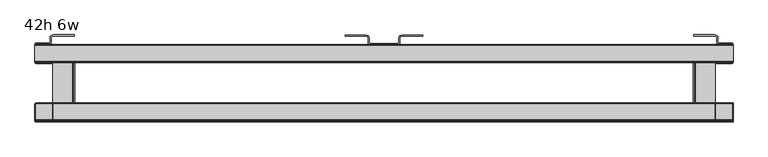
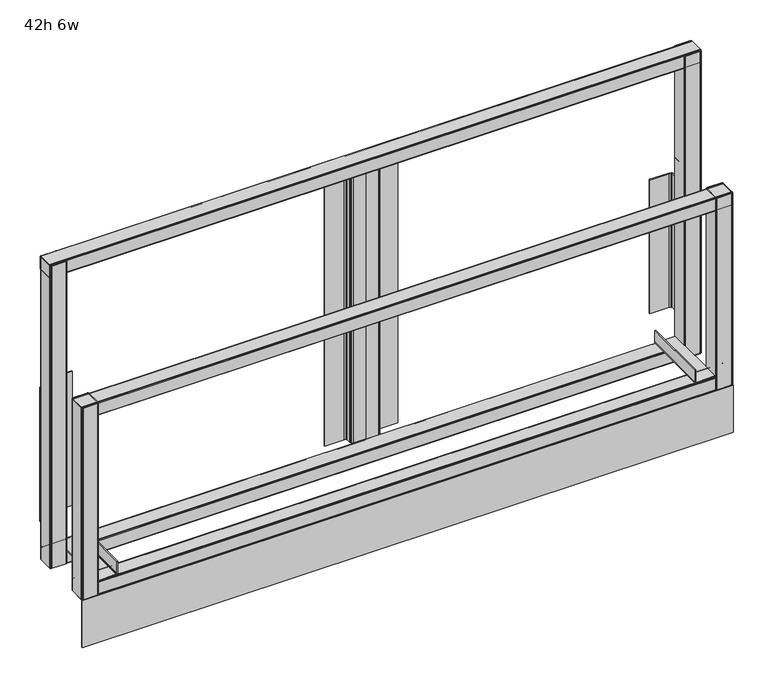
"""IFC4 building model written with IfcOpenShell, lengths in millimetres: furniture geometry, 42h 6w."""

from ifc_helpers import new_model, si_unit, point, frame, frame_2d, origin, origin_with_axes, place, context, project, spatial, polyline, circle_curve, trimmed, segment, composite_curve, outline, extrude, source, transform, mapped, element, save


def furniture_42h_6w_0b45b59a(model_context):
    return source(origin(), model_context, "Body", "SweptSolid", [
        extrude(outline(polyline([(1828.8, -72.6720019), (1828.3727983, -74.2663388), (1827.2106677, -75.4284727), (1825.6231678, -75.8538427), (1784.4114287, -75.8538427), (1782.9629536, -75.160403), (1781.9936768, -73.8532744), (1781.7684817, -72.6788412), (1781.7684817, -27.3581035), (1782.9629536, -25.7472801), (1784.411424, -25.0538403), (1786.5408108, -25.0538403), (1825.6231679, -25.0538403), (1827.2106677, -25.4792096), (1828.3727983, -26.6413403), (1828.8, -28.2356786), (1828.8, -72.6720019)]), holes=[composite_curve([segment(polyline([(1826.8931676, -72.730636), (1826.8931676, -28.1651167)]), True, "CONTINUOUS"), segment(trimmed(circle_curve(frame_2d((1825.6868913, -28.1651167)), 1.2062764), [point((1826.8931676, -28.1651167))], [point((1825.6868913, -26.9588403))], True, "CARTESIAN"), True, "CONTINUOUS"), segment(polyline([(1825.6868913, -26.9588403), (1784.9283089, -26.9588403)]), True, "CONTINUOUS"), segment(trimmed(circle_curve(frame_2d((1784.9283089, -28.2136693)), 1.254829), [point((1784.9283089, -26.9588403))], [point((1783.6734799, -28.2136693))], True, "CARTESIAN"), True, "CONTINUOUS"), segment(polyline([(1783.6734799, -28.2136693), (1783.6734799, -72.8953775)]), True, "CONTINUOUS"), segment(trimmed(circle_curve(frame_2d((1784.7269416, -72.8953775)), 1.0534616), [point((1783.6734799, -72.8953775))], [point((1784.7269416, -73.9488391))], True, "CARTESIAN"), True, "CONTINUOUS"), segment(polyline([(1784.7269416, -73.9488391), (1825.6749644, -73.9488391)]), True, "CONTINUOUS"), segment(trimmed(circle_curve(frame_2d((1825.6749644, -72.730636)), 1.2182032), [point((1825.6749644, -73.9488391))], [point((1826.8931676, -72.730636))], True, "CARTESIAN"), True, "CONTINUOUS")], self_intersect=False)]), frame((0.0, 0.0, 142.2400006), z_axis=(0.0, 0.0, 1.0), x_axis=(1.0, 0.0, 0.0)), (0.0, 0.0, 1.0), 897.9650676),
        extrude(outline(polyline([(0.0, -72.6720025), (0.0, -28.2356792), (0.4272017, -26.6413409), (1.5893323, -25.4792102), (3.1768321, -25.0538409), (42.2591892, -25.0538401), (44.3885759, -25.0538401), (45.8370464, -25.7472799), (47.0315183, -27.3581033), (47.0315183, -72.678841), (46.8063232, -73.8532742), (45.8370464, -75.1604028), (44.3885713, -75.8538425), (3.1768322, -75.8538425), (1.5893323, -75.4284733), (0.4272017, -74.2663394), (0.0, -72.6720025)]), holes=[composite_curve([segment(trimmed(circle_curve(frame_2d((3.1250356, -72.7306366)), 1.2182032), [point((1.9068324, -72.7306366))], [point((3.1250356, -73.9488397))], True, "CARTESIAN"), True, "CONTINUOUS"), segment(polyline([(3.1250356, -73.9488397), (44.0730584, -73.9488397)]), True, "CONTINUOUS"), segment(trimmed(circle_curve(frame_2d((44.0730584, -72.8953781)), 1.0534617), [point((44.0730584, -73.9488397))], [point((45.1265201, -72.8953781))], True, "CARTESIAN"), True, "CONTINUOUS"), segment(polyline([(45.1265201, -72.8953781), (45.1265201, -28.2136691)]), True, "CONTINUOUS"), segment(trimmed(circle_curve(frame_2d((43.8716911, -28.2136691)), 1.2548289), [point((45.1265201, -28.2136691))], [point((43.8716911, -26.9588402))], True, "CARTESIAN"), True, "CONTINUOUS"), segment(polyline([(43.8716911, -26.9588402), (3.1131087, -26.9588408)]), True, "CONTINUOUS"), segment(trimmed(circle_curve(frame_2d((3.1131088, -28.1651172)), 1.2062764), [point((3.1131087, -26.9588408))], [point((1.9068324, -28.1651172))], True, "CARTESIAN"), True, "CONTINUOUS"), segment(polyline([(1.9068324, -28.1651172), (1.9068324, -72.7306366)]), True, "CONTINUOUS")], self_intersect=False)]), frame((0.0, 0.0, 142.2400006), z_axis=(0.0, 0.0, 1.0), x_axis=(1.0, 0.0, 0.0)), (0.0, 0.0, 1.0), 897.9650676),
        extrude(outline(polyline([(880.1208445, -23.01875), (914.4, -23.01875), (914.4, -26.0161562), (879.969944, -26.0161562), (875.8778403, -24.9196801), (873.6539889, -22.6958267), (872.8399988, -19.6579869), (872.8399988, -7.8317466), (872.433006, -6.3128259), (871.3210781, -5.2009002), (866.9916973, -4.0408449), (812.3778418, -4.0408449), (812.3778418, -0.9623159), (866.8398534, -0.9623159), (872.8399988, -2.5700538), (875.0638547, -4.7939074), (875.8778403, -7.8317466), (875.8778403, -19.6579869), (876.2848331, -21.1769068), (877.396761, -22.2888334), (880.1208445, -23.01875)])), frame((0.0, 0.0, 178.4492695), z_axis=(0.0, 0.0, 1.0), x_axis=(1.0, 0.0, 0.0)), (0.0, 0.0, 1.0), 823.9758089),
        extrude(outline(polyline([(948.6791555, -23.01875), (951.403239, -22.2888334), (952.5151669, -21.1769068), (952.9221597, -19.6579869), (952.9221597, -7.8317466), (953.7361453, -4.7939074), (955.9600012, -2.5700538), (961.9601466, -0.9623159), (1016.4221582, -0.9623159), (1016.4221582, -4.0408449), (961.8083027, -4.0408449), (957.4789219, -5.2009002), (956.366994, -6.3128259), (955.9600012, -7.8317466), (955.9600012, -19.6579869), (955.1460111, -22.6958267), (952.9221597, -24.9196801), (948.830056, -26.0161562), (914.4, -26.0161562), (914.4, -23.01875), (948.6791555, -23.01875)])), frame((0.0, 0.0, 176.0315177), z_axis=(0.0, 0.0, 1.0), x_axis=(1.0, 0.0, 0.0)), (0.0, 0.0, 1.0), 826.3935607),
        extrude(outline(polyline([(35.3068785, -22.0564341), (38.030962, -21.3265174), (39.14289, -20.2145909), (39.5498827, -18.695671), (39.5498827, -6.8694307), (40.3638683, -3.8315915), (42.5877242, -1.6077378), (48.5878696, 0.0), (103.0498812, 0.0), (103.0498812, -3.078529), (48.4360257, -3.078529), (44.1066449, -4.2385842), (42.994717, -5.3505099), (42.5877242, -6.8694307), (42.5877242, -18.695671), (41.7737341, -21.7335108), (39.5498827, -23.9573641), (35.457779, -25.0538403), (1.027723, -25.0538403), (1.027723, -22.0564341), (35.3068785, -22.0564341)])), frame((0.0, 0.0, 251.0568051), z_axis=(0.0, 0.0, 1.0), x_axis=(1.0, 0.0, 0.0)), (0.0, 0.0, 1.0), 397.1052306),
        extrude(outline(polyline([(1793.4931215, -22.0564341), (1827.772277, -22.0564341), (1827.772277, -25.0538403), (1793.342221, -25.0538403), (1789.2501173, -23.9573641), (1787.0262659, -21.7335108), (1786.2122758, -18.695671), (1786.2122758, -6.8694307), (1785.805283, -5.3505099), (1784.6933551, -4.2385842), (1780.3639743, -3.078529), (1725.7501188, -3.078529), (1725.7501188, 0.0), (1780.2121304, 0.0), (1786.2122758, -1.6077378), (1788.4361317, -3.8315915), (1789.2501173, -6.8694307), (1789.2501173, -18.695671), (1789.65711, -20.2145909), (1790.769038, -21.3265174), (1793.4931215, -22.0564341)])), frame((0.0, 0.0, 251.0568051), z_axis=(0.0, 0.0, 1.0), x_axis=(1.0, 0.0, 0.0)), (0.0, 0.0, 1.0), 397.1052306),
        extrude(outline(polyline([(1828.8, -72.6720019), (1828.3727983, -74.2663388), (1827.2106677, -75.4284727), (1825.6231678, -75.8538427), (1784.4114287, -75.8538427), (1782.9629536, -75.160403), (1781.9936768, -73.8532744), (1781.7684817, -72.6788412), (1781.7684817, -27.3581035), (1782.9629536, -25.7472801), (1784.411424, -25.0538403), (1786.5408108, -25.0538403), (1825.6231679, -25.0538403), (1827.2106677, -25.4792096), (1828.3727983, -26.6413403), (1828.8, -28.2356786), (1828.8, -72.6720019)]), holes=[composite_curve([segment(polyline([(1826.8931676, -72.730636), (1826.8931676, -28.1651167)]), True, "CONTINUOUS"), segment(trimmed(circle_curve(frame_2d((1825.6868913, -28.1651167)), 1.2062764), [point((1826.8931676, -28.1651167))], [point((1825.6868913, -26.9588403))], True, "CARTESIAN"), True, "CONTINUOUS"), segment(polyline([(1825.6868913, -26.9588403), (1784.9283089, -26.9588403)]), True, "CONTINUOUS"), segment(trimmed(circle_curve(frame_2d((1784.9283089, -28.2136693)), 1.254829), [point((1784.9283089, -26.9588403))], [point((1783.6734799, -28.2136693))], True, "CARTESIAN"), True, "CONTINUOUS"), segment(polyline([(1783.6734799, -28.2136693), (1783.6734799, -72.8953775)]), True, "CONTINUOUS"), segment(trimmed(circle_curve(frame_2d((1784.7269416, -72.8953775)), 1.0534616), [point((1783.6734799, -72.8953775))], [point((1784.7269416, -73.9488391))], True, "CARTESIAN"), True, "CONTINUOUS"), segment(polyline([(1784.7269416, -73.9488391), (1825.6749644, -73.9488391)]), True, "CONTINUOUS"), segment(trimmed(circle_curve(frame_2d((1825.6749644, -72.730636)), 1.2182032), [point((1825.6749644, -73.9488391))], [point((1826.8931676, -72.730636))], True, "CARTESIAN"), True, "CONTINUOUS")], self_intersect=False)]), frame((0.0, 0.0, 142.2400006), z_axis=(0.0, 0.0, 1.0), x_axis=(1.0, 0.0, 0.0)), (0.0, 0.0, 1.0), 568.9599752),
        extrude(outline(polyline([(-69.6866351, 1001.9409842), (-71.4932977, 1002.4250785), (-72.6554315, 1003.587209), (-72.8823632, 1004.4341299), (-72.8823632, 1038.7565932), (-72.1889235, 1040.2050682), (-70.8817949, 1041.174345), (-69.7049635, 1041.4), (-28.5017272, 1041.4), (-26.8902842, 1040.2050682), (-26.1968444, 1038.7565977), (-26.1968444, 1036.627211), (-26.1968444, 1005.9152882), (-26.8206514, 1003.587209), (-27.982782, 1002.4250784), (-29.7894465, 1001.9409842), (-69.6866351, 1001.9409842)]), holes=[composite_curve([segment(polyline([(-70.332356, 1003.5801491), (-29.2089019, 1003.5801491)]), True, "CONTINUOUS"), segment(trimmed(circle_curve(frame_2d((-29.2089019, 1004.7864254)), 1.2062764), [point((-29.2089019, 1003.5801491))], [point((-28.0026255, 1004.7864254))], True, "CARTESIAN"), True, "CONTINUOUS"), segment(polyline([(-28.0026255, 1004.7864254), (-28.0026255, 1038.1404943)]), True, "CONTINUOUS"), segment(trimmed(circle_curve(frame_2d((-29.2574544, 1038.1404943)), 1.2548289), [point((-28.0026255, 1038.1404943))], [point((-29.2574544, 1039.3953232))], True, "CARTESIAN"), True, "CONTINUOUS"), segment(polyline([(-29.2574544, 1039.3953232), (-70.2691988, 1039.3953232)]), True, "CONTINUOUS"), segment(trimmed(circle_curve(frame_2d((-70.2691988, 1038.5383334)), 0.8569898), [point((-70.2691988, 1039.3953232))], [point((-71.1261886, 1038.5383334))], True, "CARTESIAN"), True, "CONTINUOUS"), segment(polyline([(-71.1261886, 1038.5383334), (-71.1261886, 1037.4730464), (-71.1261886, 1004.3739817)]), True, "CONTINUOUS"), segment(trimmed(circle_curve(frame_2d((-70.332356, 1004.3739817)), 0.7938326), [point((-71.1261886, 1004.3739817))], [point((-70.332356, 1003.5801491))], True, "CARTESIAN"), True, "CONTINUOUS")], self_intersect=False)]), frame((0.0, 0.0, 0.0), z_axis=(1.0, 0.0, 0.0), x_axis=(0.0, 1.0, 0.0)), (0.0, 0.0, 1.0), 1828.8),
        extrude(outline(polyline([(217.1649967, 1724.3758798), (183.3880068, 1724.3758798), (180.2764961, 1725.2096043), (177.9987282, 1727.4873722), (177.1650036, 1730.5988647), (177.1650036, 1781.7782739), (180.2130007, 1781.7782739), (180.2130007, 1730.5988647), (180.6383745, 1729.0113708), (181.8004947, 1727.8492506), (183.3880068, 1727.4238768), (217.1649967, 1727.4238768), (217.1649967, 1724.3758798)])), frame((0.0, -223.0555224, 0.0), z_axis=(0.0, 1.0, 0.0), x_axis=(0.0, 0.0, 1.0)), (0.0, 0.0, 1.0), 194.5544148),
        extrude(outline(polyline([(217.1649967, 104.4241202), (217.1649967, 101.3761232), (183.3880068, 101.3761232), (181.8004947, 100.9507494), (180.6383745, 99.7886292), (180.2130007, 98.2011353), (180.2130007, 47.0315183), (177.1650036, 47.0315183), (177.1650036, 98.2011353), (177.9987282, 101.3126278), (180.2764961, 103.5903957), (183.3880068, 104.4241202), (217.1649967, 104.4241202)])), frame((0.0, -223.0555224, 0.0), z_axis=(0.0, 1.0, 0.0), x_axis=(0.0, 0.0, 1.0)), (0.0, 0.0, 1.0), 194.5537952),
        extrude(outline(polyline([(1828.8, -229.202005), (0.762, -229.202005), (0.762, -227.1700069), (1828.8, -227.1700069), (1828.8, -229.202005)])), origin_with_axes(), (0.0, 0.0, 1.0), 139.700003),
        extrude(outline(polyline([(1828.8, -226.020165), (1828.3727983, -227.6145019), (1827.2106677, -228.7766357), (1825.6231678, -229.202005), (1784.4114287, -229.202005), (1782.9629536, -228.5085653), (1781.9936768, -227.2014367), (1781.7684817, -226.0270034), (1781.7684817, -180.7062658), (1782.9629536, -179.0954424), (1784.4114242, -178.4020034), (1786.5408108, -178.4020034), (1825.6231679, -178.4020034), (1827.2106677, -178.8273727), (1828.3727983, -179.9895033), (1828.8, -181.5838417), (1828.8, -226.020165)]), holes=[composite_curve([segment(polyline([(1826.8931676, -226.078799), (1826.8931676, -181.5132797)]), True, "CONTINUOUS"), segment(trimmed(circle_curve(frame_2d((1825.6868912, -181.5132797)), 1.2062764), [point((1826.8931676, -181.5132797))], [point((1825.6868912, -180.3070033))], True, "CARTESIAN"), True, "CONTINUOUS"), segment(polyline([(1825.6868912, -180.3070033), (1784.9283089, -180.3070026)]), True, "CONTINUOUS"), segment(trimmed(circle_curve(frame_2d((1784.9283089, -181.5618316)), 1.2548289), [point((1784.9283089, -180.3070026))], [point((1783.67348, -181.5618316))], True, "CARTESIAN"), True, "CONTINUOUS"), segment(polyline([(1783.67348, -181.5618316), (1783.67348, -226.2435406)]), True, "CONTINUOUS"), segment(trimmed(circle_curve(frame_2d((1784.7269416, -226.2435406)), 1.0534615), [point((1783.67348, -226.2435406))], [point((1784.7269416, -227.2970021))], True, "CARTESIAN"), True, "CONTINUOUS"), segment(polyline([(1784.7269416, -227.2970021), (1825.6749644, -227.2970021)]), True, "CONTINUOUS"), segment(trimmed(circle_curve(frame_2d((1825.6749644, -226.078799)), 1.2182032), [point((1825.6749644, -227.2970021))], [point((1826.8931676, -226.078799))], True, "CARTESIAN"), True, "CONTINUOUS")], self_intersect=False)]), frame((0.0, 0.0, 142.2400006), z_axis=(0.0, 0.0, 1.0), x_axis=(1.0, 0.0, 0.0)), (0.0, 0.0, 1.0), 569.0435446),
        extrude(outline(polyline([(0.0, -226.020165), (0.0, -181.5838417), (0.4272017, -179.9895033), (1.5893323, -178.8273727), (3.1768321, -178.4020034), (42.2591892, -178.4020026), (44.3885759, -178.4020026), (45.8370464, -179.0954424), (47.0315183, -180.7062658), (47.0315183, -226.0270034), (46.8063232, -227.2014367), (45.8370464, -228.5085653), (44.3885713, -229.202005), (3.1768322, -229.202005), (1.5893323, -228.7766357), (0.4272017, -227.6145019), (0.0, -226.020165)]), holes=[composite_curve([segment(trimmed(circle_curve(frame_2d((3.1250356, -226.078799)), 1.2182032), [point((1.9068324, -226.078799))], [point((3.1250356, -227.2970022))], True, "CARTESIAN"), True, "CONTINUOUS"), segment(polyline([(3.1250356, -227.2970022), (44.0730584, -227.2970022)]), True, "CONTINUOUS"), segment(trimmed(circle_curve(frame_2d((44.0730584, -226.2435405)), 1.0534617), [point((44.0730584, -227.2970022))], [point((45.1265201, -226.2435405))], True, "CARTESIAN"), True, "CONTINUOUS"), segment(polyline([(45.1265201, -226.2435405), (45.1265201, -181.5618316)]), True, "CONTINUOUS"), segment(trimmed(circle_curve(frame_2d((43.8716912, -181.5618316)), 1.2548289), [point((45.1265201, -181.5618316))], [point((43.8716911, -180.3070027))], True, "CARTESIAN"), True, "CONTINUOUS"), segment(polyline([(43.8716911, -180.3070027), (3.1131088, -180.3070033)]), True, "CONTINUOUS"), segment(trimmed(circle_curve(frame_2d((3.1131088, -181.5132797)), 1.2062764), [point((3.1131088, -180.3070033))], [point((1.9068324, -181.5132797))], True, "CARTESIAN"), True, "CONTINUOUS"), segment(polyline([(1.9068324, -181.5132797), (1.9068324, -226.078799)]), True, "CONTINUOUS")], self_intersect=False)]), frame((0.0, 0.0, 142.2400006), z_axis=(0.0, 0.0, 1.0), x_axis=(1.0, 0.0, 0.0)), (0.0, 0.0, 1.0), 569.0435446),
        extrude(outline(polyline([(-223.0347979, 139.2159088), (-224.8414605, 139.700003), (-226.0035943, 140.8621336), (-226.230526, 141.7090545), (-226.230526, 176.0315177), (-225.5370863, 177.4799928), (-224.2299577, 178.4492695), (-223.0555224, 178.6744651), (-181.8492701, 178.6744693), (-180.2384467, 177.4799928), (-179.5450075, 176.0315223), (-179.5450075, 173.9021356), (-179.5450075, 143.1902128), (-180.1688145, 140.8621336), (-181.3309451, 139.700003), (-183.1376095, 139.2159088), (-223.0347979, 139.2159088)]), holes=[composite_curve([segment(polyline([(-223.6805188, 140.8550736), (-182.557065, 140.8550736)]), True, "CONTINUOUS"), segment(trimmed(circle_curve(frame_2d((-182.557065, 142.06135)), 1.2062764), [point((-182.557065, 140.8550736))], [point((-181.3507886, 142.06135))], True, "CARTESIAN"), True, "CONTINUOUS"), segment(polyline([(-181.3507886, 142.06135), (-181.3507886, 175.4154189)]), True, "CONTINUOUS"), segment(trimmed(circle_curve(frame_2d((-182.6056175, 175.4154189)), 1.2548289), [point((-181.3507886, 175.4154189))], [point((-182.6056175, 176.6702478))], True, "CARTESIAN"), True, "CONTINUOUS"), segment(polyline([(-182.6056175, 176.6702478), (-223.6173616, 176.6702478)]), True, "CONTINUOUS"), segment(trimmed(circle_curve(frame_2d((-223.6173616, 175.813258)), 0.8569898), [point((-223.6173616, 176.6702478))], [point((-224.4743514, 175.813258))], True, "CARTESIAN"), True, "CONTINUOUS"), segment(polyline([(-224.4743514, 175.813258), (-224.4743514, 174.747971), (-224.4743514, 141.6489063)]), True, "CONTINUOUS"), segment(trimmed(circle_curve(frame_2d((-223.6805188, 141.6489063)), 0.7938326), [point((-224.4743514, 141.6489063))], [point((-223.6805188, 140.8550736))], True, "CARTESIAN"), True, "CONTINUOUS")], self_intersect=False)]), frame((1.9068324, 0.0, 0.0), z_axis=(1.0, 0.0, 0.0), x_axis=(0.0, 1.0, 0.0)), (0.0, 0.0, 1.0), 1826.8931676),
        extrude(outline(polyline([(-69.6866351, 139.2159088), (-71.4932977, 139.700003), (-72.6554315, 140.8621336), (-72.8823632, 141.7090545), (-72.8823632, 176.0315177), (-72.1889235, 177.4799928), (-70.8817949, 178.4492695), (-69.7073595, 178.6744651), (-28.5011076, 178.6744693), (-26.8902842, 177.4799928), (-26.1968444, 176.0315223), (-26.1968444, 173.9021356), (-26.1968444, 143.1902128), (-26.8206514, 140.8621336), (-27.982782, 139.700003), (-29.7894465, 139.2159088), (-69.6866351, 139.2159088)]), holes=[composite_curve([segment(polyline([(-70.332356, 140.8550736), (-29.2089019, 140.8550736)]), True, "CONTINUOUS"), segment(trimmed(circle_curve(frame_2d((-29.2089019, 142.06135)), 1.2062764), [point((-29.2089019, 140.8550736))], [point((-28.0026255, 142.06135))], True, "CARTESIAN"), True, "CONTINUOUS"), segment(polyline([(-28.0026255, 142.06135), (-28.0026255, 175.4154189)]), True, "CONTINUOUS"), segment(trimmed(circle_curve(frame_2d((-29.2574544, 175.4154189)), 1.2548289), [point((-28.0026255, 175.4154189))], [point((-29.2574544, 176.6702478))], True, "CARTESIAN"), True, "CONTINUOUS"), segment(polyline([(-29.2574544, 176.6702478), (-70.2691988, 176.6702478)]), True, "CONTINUOUS"), segment(trimmed(circle_curve(frame_2d((-70.2691988, 175.813258)), 0.8569898), [point((-70.2691988, 176.6702478))], [point((-71.1261886, 175.813258))], True, "CARTESIAN"), True, "CONTINUOUS"), segment(polyline([(-71.1261886, 175.813258), (-71.1261886, 174.747971), (-71.1261886, 141.6489063)]), True, "CONTINUOUS"), segment(trimmed(circle_curve(frame_2d((-70.332356, 141.6489063)), 0.7938326), [point((-71.1261886, 141.6489063))], [point((-70.332356, 140.8550736))], True, "CARTESIAN"), True, "CONTINUOUS")], self_intersect=False)]), frame((1.9068324, 0.0, 0.0), z_axis=(1.0, 0.0, 0.0), x_axis=(0.0, 1.0, 0.0)), (0.0, 0.0, 1.0), 1826.8931676),
        extrude(outline(polyline([(-223.0347979, 671.8249791), (-224.8414605, 672.3090734), (-226.0035943, 673.4712039), (-226.230526, 674.3181248), (-226.230526, 708.6405881), (-225.5370863, 710.0890631), (-224.2299577, 711.0583399), (-223.0532062, 711.2839796), (-181.849869, 711.2839796), (-180.2384467, 710.0890631), (-179.5450069, 708.6405927), (-179.5450069, 706.511206), (-179.5450069, 675.7992832), (-180.1688139, 673.4712039), (-181.3309445, 672.3090734), (-183.1376089, 671.8249791), (-223.0347979, 671.8249791)]), holes=[composite_curve([segment(polyline([(-223.6805188, 673.464144), (-182.5570644, 673.464144)]), True, "CONTINUOUS"), segment(trimmed(circle_curve(frame_2d((-182.5570644, 674.6704204)), 1.2062764), [point((-182.5570644, 673.464144))], [point((-181.350788, 674.6704204))], True, "CARTESIAN"), True, "CONTINUOUS"), segment(polyline([(-181.350788, 674.6704204), (-181.350788, 708.0244893)]), True, "CONTINUOUS"), segment(trimmed(circle_curve(frame_2d((-182.6056169, 708.0244893)), 1.2548289), [point((-181.350788, 708.0244893))], [point((-182.6056169, 709.2793182))], True, "CARTESIAN"), True, "CONTINUOUS"), segment(polyline([(-182.6056169, 709.2793182), (-223.6173616, 709.2793182)]), True, "CONTINUOUS"), segment(trimmed(circle_curve(frame_2d((-223.6173616, 708.4223284)), 0.8569898), [point((-223.6173616, 709.2793182))], [point((-224.4743514, 708.4223284))], True, "CARTESIAN"), True, "CONTINUOUS"), segment(polyline([(-224.4743514, 708.4223284), (-224.4743514, 707.3570413), (-224.4743514, 674.2579766)]), True, "CONTINUOUS"), segment(trimmed(circle_curve(frame_2d((-223.6805188, 674.2579766)), 0.7938326), [point((-224.4743514, 674.2579766))], [point((-223.6805188, 673.464144))], True, "CARTESIAN"), True, "CONTINUOUS")], self_intersect=False)]), frame((1.9068324, 0.0, 0.0), z_axis=(1.0, 0.0, 0.0), x_axis=(0.0, 1.0, 0.0)), (0.0, 0.0, 1.0), 1826.8931676),
    ])


if __name__ == "__main__":
    model = new_model("IFC4")
    model_context = context("Model", 3, world=origin())
    ifc_project = project(units=[si_unit("LENGTHUNIT", "METRE", prefix="MILLI")], contexts=[model_context])
    site = spatial("IfcSite", under=ifc_project)
    building = spatial("IfcBuilding", under=site)
    placement = place(None, origin())
    furniture_42h_6w_shape = furniture_42h_6w_0b45b59a(model_context)
    element("IfcFurniture", 1, ObjectType="42h 6w", at=placement, inside=building, context=model_context, shape_type="MappedRepresentation", body=[
        mapped(furniture_42h_6w_shape, transform((0.0, 0.0, 0.0), x_axis=(1.0, 0.0, 0.0), y_axis=(0.0, 1.0, 0.0), z_axis=(0.0, 0.0, 1.0))),
    ])
    save(model, "model.ifc")
